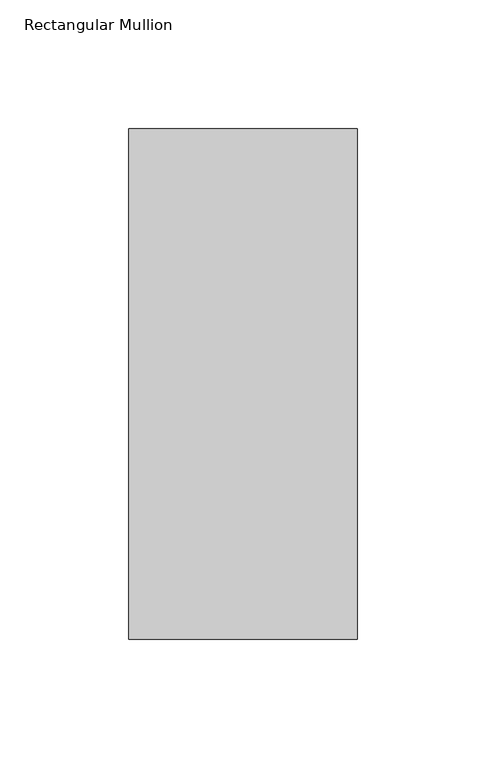
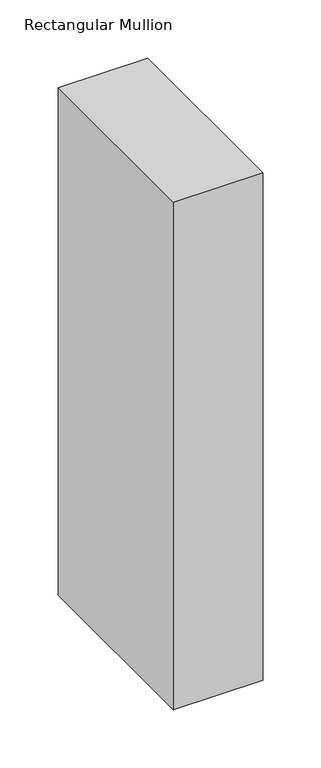
"""IFC4 building model written with IfcOpenShell, lengths in millimetres: member geometry, Rectangular Mullion."""

import ifcopenshell
import ifcopenshell.guid

model = None  # the IFC model being written
_history = None  # IfcOwnerHistory: only IFC2X3 demands one
_inside = {}  # id of a spatial element -> (the spatial element, [elements in it])
_under = {}  # id of a project, library or spatial element -> (it, [spatial elements below it])
_declared = {}  # id of a project -> (the project, [libraries it declares])
_typed = {}  # id of a type object -> (the type object, [elements of that type])
_made_of = {}  # id of a material, layer set ... -> (it, [elements and type objects made of it])


def new_model(schema):
    """Start an empty IFC model of exactly this schema.

    Asked for "IFC4X3", IfcOpenShell would pick the latest addendum, in which some entities
    have other attributes; the version numbers below select the first issue.
    IFC2X3 requires an IfcOwnerHistory on every rooted entity: one is made here for all.
    """
    global model, _history
    if schema == "IFC4X3":
        model = ifcopenshell.file(schema_version=(4, 3, 0, 0))
    else:
        model = ifcopenshell.file(schema=schema)
    _inside.clear()
    _under.clear()
    _declared.clear()
    _typed.clear()
    _made_of.clear()
    _history = None
    if model.schema == "IFC2X3":
        org = make("IfcOrganization", Name="unknown")
        user = make(
            "IfcPersonAndOrganization",
            ThePerson=make("IfcPerson", FamilyName="unknown"),
            TheOrganization=org,
        )
        app = make(
            "IfcApplication",
            ApplicationDeveloper=org,
            Version="unknown",
            ApplicationFullName="unknown",
            ApplicationIdentifier="unknown",
        )
        _history = make(
            "IfcOwnerHistory",
            OwningUser=user,
            OwningApplication=app,
            ChangeAction="ADDED",
            CreationDate=0,
        )
    return model


def make(cls, **values):
    """One entity of the class cls with the attributes given. An attribute that is None is left unset."""
    return model.create_entity(
        cls, **{name: value for name, value in values.items() if value is not None}
    )


def rooted(cls, **values):
    """An entity with a GlobalId (a new one), such as an element, a storey or a relation."""
    return make(cls, GlobalId=ifcopenshell.guid.new(), OwnerHistory=_history, **values)


def si_unit(unit_type, name, prefix=None):
    """IfcSIUnit, for example si_unit("LENGTHUNIT", "METRE", prefix="MILLI")."""
    return make("IfcSIUnit", UnitType=unit_type, Prefix=prefix, Name=name)


def assignment(units):
    """IfcUnitAssignment: the units of a project."""
    return None if units is None else make("IfcUnitAssignment", Units=units)


def point(xyz):
    """IfcCartesianPoint."""
    return None if xyz is None else make("IfcCartesianPoint", Coordinates=xyz)


def direction(xyz):
    """IfcDirection."""
    return None if xyz is None else make("IfcDirection", DirectionRatios=xyz)


def frame(location, z_axis=None, x_axis=None):
    """IfcAxis2Placement3D, a coordinate frame: its origin and axes. An axis left out is left unset."""
    return make(
        "IfcAxis2Placement3D",
        Location=point(location),
        Axis=direction(z_axis),
        RefDirection=direction(x_axis),
    )


def origin():
    """The frame at (0, 0, 0) with its axes left unset."""
    return frame((0.0, 0.0, 0.0))


def place(relative_to, where):
    """IfcLocalPlacement: puts the frame where relative to a parent placement (None: the world)."""
    return make(
        "IfcLocalPlacement", PlacementRelTo=relative_to, RelativePlacement=where
    )


def context(
    kind, dimensions, precision=None, world=None, true_north=None, identifier=None
):
    """IfcGeometricRepresentationContext, for example the 3D "Model" context."""
    return make(
        "IfcGeometricRepresentationContext",
        ContextIdentifier=identifier,
        ContextType=kind,
        CoordinateSpaceDimension=dimensions,
        Precision=precision,
        WorldCoordinateSystem=world,
        TrueNorth=true_north,
    )


def project(units=None, contexts=None):
    """IfcProject with its units and contexts."""
    return rooted(
        "IfcProject",
        Name="project",
        RepresentationContexts=contexts,
        UnitsInContext=assignment(units),
    )


def spatial(cls, under=None, at=None, **own):
    """A site, building, storey or space (cls), placed at a placement, below another one or the project."""
    s = rooted(cls, ObjectPlacement=at, **own)
    if under is not None:
        _under.setdefault(under.id(), (under, []))[1].append(s)
    return s


def polyline(points):
    """IfcPolyline through the points."""
    return make("IfcPolyline", Points=[point(p) for p in points])


def outline(outer, holes=None, kind="AREA"):
    """IfcArbitraryClosedProfileDef: a profile drawn as a closed curve; with holes, ...WithVoids."""
    if holes is None:
        return make("IfcArbitraryClosedProfileDef", ProfileType=kind, OuterCurve=outer)
    return make(
        "IfcArbitraryProfileDefWithVoids",
        ProfileType=kind,
        OuterCurve=outer,
        InnerCurves=holes,
    )


def extrude(swept, where, along, depth):
    """IfcExtrudedAreaSolid: the profile swept, set in the frame where, extruded along a direction by depth."""
    return make(
        "IfcExtrudedAreaSolid",
        SweptArea=swept,
        Position=where,
        ExtrudedDirection=direction(along),
        Depth=depth,
    )


def shape(context_of_items, identifier, shape_type, items):
    """IfcShapeRepresentation: the items that make up one representation, for example the "Body"."""
    return make(
        "IfcShapeRepresentation",
        ContextOfItems=context_of_items,
        RepresentationIdentifier=identifier,
        RepresentationType=shape_type,
        Items=items,
    )


def source(mapping_origin, context_of_items, identifier, shape_type, items):
    """IfcRepresentationMap: a shape defined once, which mapped items show again and again."""
    return make(
        "IfcRepresentationMap",
        MappingOrigin=mapping_origin,
        MappedRepresentation=shape(context_of_items, identifier, shape_type, items),
    )


def transform(
    local_origin,
    x_axis=None,
    y_axis=None,
    z_axis=None,
    scale=None,
    scale2=None,
    scale3=None,
    uniform=True,
):
    """IfcCartesianTransformationOperator3D, or its non-uniform kind. x_axis, y_axis, z_axis: its Axis1, 2, 3."""
    if uniform:
        return make(
            "IfcCartesianTransformationOperator3D",
            Axis1=direction(x_axis),
            Axis2=direction(y_axis),
            LocalOrigin=point(local_origin),
            Scale=scale,
            Axis3=direction(z_axis),
        )
    return make(
        "IfcCartesianTransformationOperator3DnonUniform",
        Axis1=direction(x_axis),
        Axis2=direction(y_axis),
        LocalOrigin=point(local_origin),
        Scale=scale,
        Axis3=direction(z_axis),
        Scale2=scale2,
        Scale3=scale3,
    )


def mapped(mapping_source, mapping_target):
    """IfcMappedItem: shows the shape of a source again, moved by a transform."""
    return make(
        "IfcMappedItem", MappingSource=mapping_source, MappingTarget=mapping_target
    )


def made_of(thing, what):
    """Note that an element or type object is made of a material, layer set ...; save() writes the relation."""
    if what is not None:
        _made_of.setdefault(what.id(), (what, []))[1].append(thing)
    return thing


def element(
    cls,
    number,
    at=None,
    inside=None,
    cuts=None,
    type_object=None,
    material=None,
    context=None,
    identifier="Body",
    shape_type=None,
    held_by="IfcProductDefinitionShape",
    body=None,
    shapes=None,
    **own,
):
    """One element of the class cls, such as IfcWall. Its Tag is "e" and its number.

    at: its placement. inside: the storey or other place that contains it. cuts: it is an
    opening in that element (IfcRelVoidsElement). A single representation is given by context,
    identifier, shape_type and body (its items); several are given by shapes. held_by: the class
    of the entity that holds the representations. save() writes the other relations.
    """
    e = rooted(cls, Tag="e%d" % number, ObjectPlacement=at, **own)
    if body is not None:
        shapes = [shape(context, identifier, shape_type, body)]
    if shapes is not None:
        e.Representation = make(held_by, Representations=shapes)
    if inside is not None:
        _inside.setdefault(inside.id(), (inside, []))[1].append(e)
    if cuts is not None:
        rooted(
            "IfcRelVoidsElement", RelatingBuildingElement=cuts, RelatedOpeningElement=e
        )
    if type_object is not None:
        _typed.setdefault(type_object.id(), (type_object, []))[1].append(e)
    return made_of(e, material)


def aggregate(whole, parts):
    """IfcRelAggregates: a whole, such as a stair, and the parts it consists of."""
    return rooted("IfcRelAggregates", RelatingObject=whole, RelatedObjects=parts)


def save(model, path):
    """Write the relations noted so far, then the file.

    IfcRelAggregates (storeys below a building ...), IfcRelContainedInSpatialStructure (elements
    in a storey), IfcRelDefinesByType, IfcRelAssociatesMaterial and IfcRelDeclares: one each for
    every whole, place, type object, material and project.
    """
    for whole, parts in _under.values():
        aggregate(whole, parts)
    for where, things in _inside.values():
        rooted(
            "IfcRelContainedInSpatialStructure",
            RelatedElements=things,
            RelatingStructure=where,
        )
    for kind, things in _typed.values():
        rooted("IfcRelDefinesByType", RelatedObjects=things, RelatingType=kind)
    for what, things in _made_of.values():
        rooted("IfcRelAssociatesMaterial", RelatedObjects=things, RelatingMaterial=what)
    for by, libraries in _declared.values():
        rooted("IfcRelDeclares", RelatingContext=by, RelatedDefinitions=libraries)
    model.write(path)


def rectangular_mullion_f8be579c(model_context):
    return source(origin(), model_context, "Body", "SweptSolid", [
        extrude(outline(polyline([(-88.9, 42.06875), (0.0, 42.06875), (0.0, -156.36875), (-88.9, -156.36875), (-88.9, 42.06875)])), frame((0.0, 0.0, -533.4), z_axis=(0.0, 0.0, 1.0), x_axis=(1.0, 0.0, 0.0)), (0.0, 0.0, 1.0), 533.4),
    ])


if __name__ == "__main__":
    model = new_model("IFC4")
    model_context = context("Model", 3, world=origin())
    ifc_project = project(units=[si_unit("LENGTHUNIT", "METRE", prefix="MILLI")], contexts=[model_context])
    site = spatial("IfcSite", under=ifc_project)
    building = spatial("IfcBuilding", under=site)
    placement = place(None, origin())
    rectangular_mullion_shape = rectangular_mullion_f8be579c(model_context)
    element("IfcMember", 1, ObjectType="Rectangular Mullion", at=placement, inside=building, context=model_context, shape_type="MappedRepresentation", body=[
        mapped(rectangular_mullion_shape, transform((0.0, 0.0, 0.0), x_axis=(1.0, 0.0, 0.0), y_axis=(0.0, 1.0, 0.0), z_axis=(0.0, 0.0, 1.0))),
    ])
    save(model, "model.ifc")
